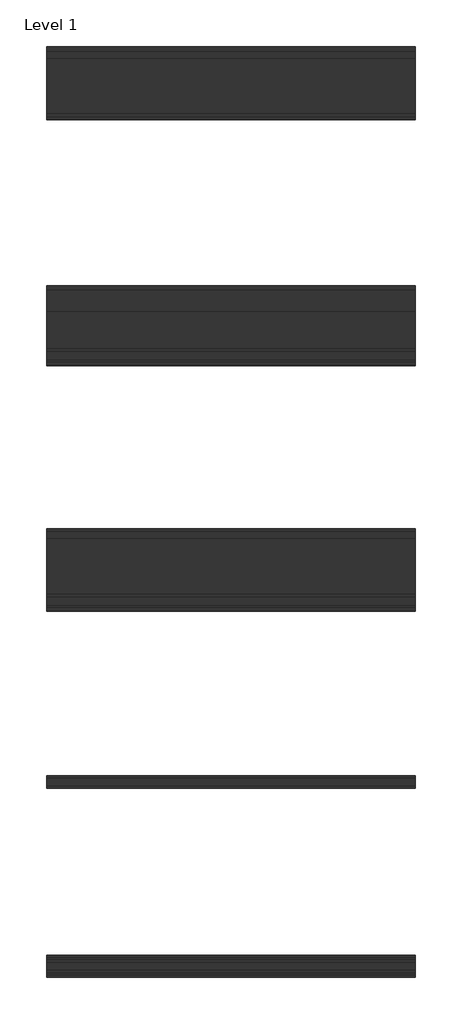
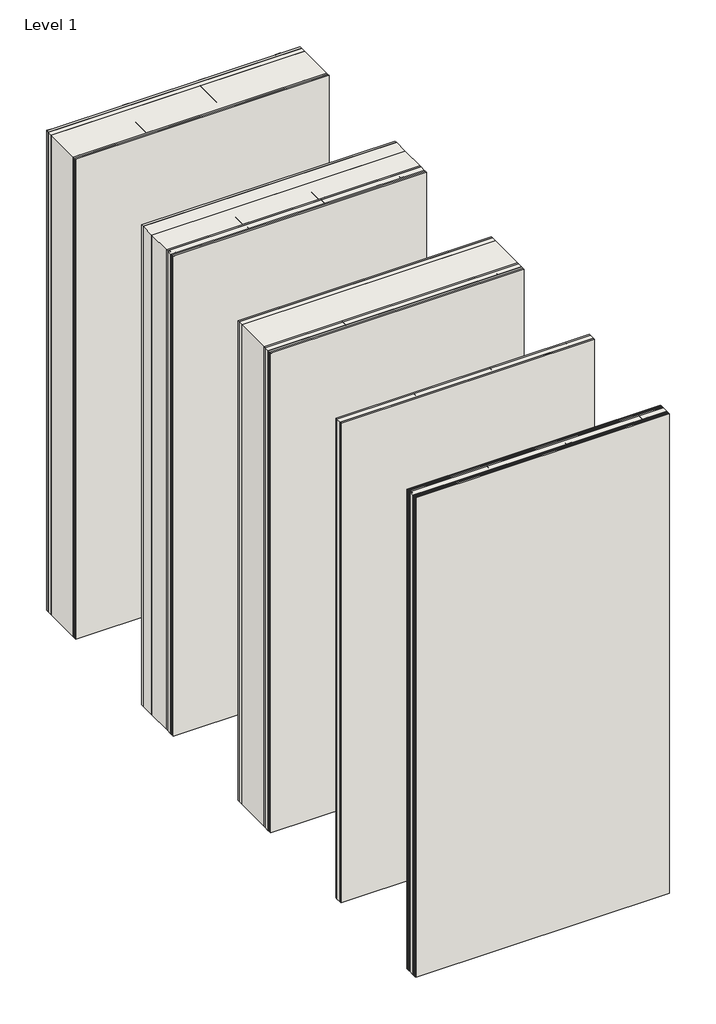
# One storey: 28 columns, 5 walls.
"""IFC4 building model written with IfcOpenShell, lengths in millimetres."""

import ifcopenshell
import ifcopenshell.guid

model = None  # the IFC model being written
_history = None  # IfcOwnerHistory: only IFC2X3 demands one
_inside = {}  # id of a spatial element -> (the spatial element, [elements in it])
_under = {}  # id of a project, library or spatial element -> (it, [spatial elements below it])
_declared = {}  # id of a project -> (the project, [libraries it declares])
_typed = {}  # id of a type object -> (the type object, [elements of that type])
_made_of = {}  # id of a material, layer set ... -> (it, [elements and type objects made of it])


def new_model(schema):
    """Start an empty IFC model of exactly this schema.

    Asked for "IFC4X3", IfcOpenShell would pick the latest addendum, in which some entities
    have other attributes; the version numbers below select the first issue.
    IFC2X3 requires an IfcOwnerHistory on every rooted entity: one is made here for all.
    """
    global model, _history
    if schema == "IFC4X3":
        model = ifcopenshell.file(schema_version=(4, 3, 0, 0))
    else:
        model = ifcopenshell.file(schema=schema)
    _inside.clear()
    _under.clear()
    _declared.clear()
    _typed.clear()
    _made_of.clear()
    _history = None
    if model.schema == "IFC2X3":
        org = make("IfcOrganization", Name="unknown")
        user = make(
            "IfcPersonAndOrganization",
            ThePerson=make("IfcPerson", FamilyName="unknown"),
            TheOrganization=org,
        )
        app = make(
            "IfcApplication",
            ApplicationDeveloper=org,
            Version="unknown",
            ApplicationFullName="unknown",
            ApplicationIdentifier="unknown",
        )
        _history = make(
            "IfcOwnerHistory",
            OwningUser=user,
            OwningApplication=app,
            ChangeAction="ADDED",
            CreationDate=0,
        )
    return model


def make(cls, **values):
    """One entity of the class cls with the attributes given. An attribute that is None is left unset."""
    return model.create_entity(
        cls, **{name: value for name, value in values.items() if value is not None}
    )


def rooted(cls, **values):
    """An entity with a GlobalId (a new one), such as an element, a storey or a relation."""
    return make(cls, GlobalId=ifcopenshell.guid.new(), OwnerHistory=_history, **values)


def si_unit(unit_type, name, prefix=None):
    """IfcSIUnit, for example si_unit("LENGTHUNIT", "METRE", prefix="MILLI")."""
    return make("IfcSIUnit", UnitType=unit_type, Prefix=prefix, Name=name)


def assignment(units):
    """IfcUnitAssignment: the units of a project."""
    return None if units is None else make("IfcUnitAssignment", Units=units)


def point(xyz):
    """IfcCartesianPoint."""
    return None if xyz is None else make("IfcCartesianPoint", Coordinates=xyz)


def direction(xyz):
    """IfcDirection."""
    return None if xyz is None else make("IfcDirection", DirectionRatios=xyz)


def frame(location, z_axis=None, x_axis=None):
    """IfcAxis2Placement3D, a coordinate frame: its origin and axes. An axis left out is left unset."""
    return make(
        "IfcAxis2Placement3D",
        Location=point(location),
        Axis=direction(z_axis),
        RefDirection=direction(x_axis),
    )


def origin():
    """The frame at (0, 0, 0) with its axes left unset."""
    return frame((0.0, 0.0, 0.0))


def origin_with_axes():
    """The frame at (0, 0, 0) with the z axis (0, 0, 1) and the x axis (1, 0, 0) written out."""
    return frame((0.0, 0.0, 0.0), z_axis=(0.0, 0.0, 1.0), x_axis=(1.0, 0.0, 0.0))


def place(relative_to, where):
    """IfcLocalPlacement: puts the frame where relative to a parent placement (None: the world)."""
    return make(
        "IfcLocalPlacement", PlacementRelTo=relative_to, RelativePlacement=where
    )


def context(
    kind, dimensions, precision=None, world=None, true_north=None, identifier=None
):
    """IfcGeometricRepresentationContext, for example the 3D "Model" context."""
    return make(
        "IfcGeometricRepresentationContext",
        ContextIdentifier=identifier,
        ContextType=kind,
        CoordinateSpaceDimension=dimensions,
        Precision=precision,
        WorldCoordinateSystem=world,
        TrueNorth=true_north,
    )


def project(units=None, contexts=None):
    """IfcProject with its units and contexts."""
    return rooted(
        "IfcProject",
        Name="project",
        RepresentationContexts=contexts,
        UnitsInContext=assignment(units),
    )


def spatial(cls, under=None, at=None, **own):
    """A site, building, storey or space (cls), placed at a placement, below another one or the project."""
    s = rooted(cls, ObjectPlacement=at, **own)
    if under is not None:
        _under.setdefault(under.id(), (under, []))[1].append(s)
    return s


def polyline(points):
    """IfcPolyline through the points."""
    return make("IfcPolyline", Points=[point(p) for p in points])


def outline(outer, holes=None, kind="AREA"):
    """IfcArbitraryClosedProfileDef: a profile drawn as a closed curve; with holes, ...WithVoids."""
    if holes is None:
        return make("IfcArbitraryClosedProfileDef", ProfileType=kind, OuterCurve=outer)
    return make(
        "IfcArbitraryProfileDefWithVoids",
        ProfileType=kind,
        OuterCurve=outer,
        InnerCurves=holes,
    )


def extrude(swept, where, along, depth):
    """IfcExtrudedAreaSolid: the profile swept, set in the frame where, extruded along a direction by depth."""
    return make(
        "IfcExtrudedAreaSolid",
        SweptArea=swept,
        Position=where,
        ExtrudedDirection=direction(along),
        Depth=depth,
    )


def shape(context_of_items, identifier, shape_type, items):
    """IfcShapeRepresentation: the items that make up one representation, for example the "Body"."""
    return make(
        "IfcShapeRepresentation",
        ContextOfItems=context_of_items,
        RepresentationIdentifier=identifier,
        RepresentationType=shape_type,
        Items=items,
    )


def source(mapping_origin, context_of_items, identifier, shape_type, items):
    """IfcRepresentationMap: a shape defined once, which mapped items show again and again."""
    return make(
        "IfcRepresentationMap",
        MappingOrigin=mapping_origin,
        MappedRepresentation=shape(context_of_items, identifier, shape_type, items),
    )


def transform(
    local_origin,
    x_axis=None,
    y_axis=None,
    z_axis=None,
    scale=None,
    scale2=None,
    scale3=None,
    uniform=True,
):
    """IfcCartesianTransformationOperator3D, or its non-uniform kind. x_axis, y_axis, z_axis: its Axis1, 2, 3."""
    if uniform:
        return make(
            "IfcCartesianTransformationOperator3D",
            Axis1=direction(x_axis),
            Axis2=direction(y_axis),
            LocalOrigin=point(local_origin),
            Scale=scale,
            Axis3=direction(z_axis),
        )
    return make(
        "IfcCartesianTransformationOperator3DnonUniform",
        Axis1=direction(x_axis),
        Axis2=direction(y_axis),
        LocalOrigin=point(local_origin),
        Scale=scale,
        Axis3=direction(z_axis),
        Scale2=scale2,
        Scale3=scale3,
    )


def mapped(mapping_source, mapping_target):
    """IfcMappedItem: shows the shape of a source again, moved by a transform."""
    return make(
        "IfcMappedItem", MappingSource=mapping_source, MappingTarget=mapping_target
    )


def made_of(thing, what):
    """Note that an element or type object is made of a material, layer set ...; save() writes the relation."""
    if what is not None:
        _made_of.setdefault(what.id(), (what, []))[1].append(thing)
    return thing


def element(
    cls,
    number,
    at=None,
    inside=None,
    cuts=None,
    type_object=None,
    material=None,
    context=None,
    identifier="Body",
    shape_type=None,
    held_by="IfcProductDefinitionShape",
    body=None,
    shapes=None,
    **own,
):
    """One element of the class cls, such as IfcWall. Its Tag is "e" and its number.

    at: its placement. inside: the storey or other place that contains it. cuts: it is an
    opening in that element (IfcRelVoidsElement). A single representation is given by context,
    identifier, shape_type and body (its items); several are given by shapes. held_by: the class
    of the entity that holds the representations. save() writes the other relations.
    """
    e = rooted(cls, Tag="e%d" % number, ObjectPlacement=at, **own)
    if body is not None:
        shapes = [shape(context, identifier, shape_type, body)]
    if shapes is not None:
        e.Representation = make(held_by, Representations=shapes)
    if inside is not None:
        _inside.setdefault(inside.id(), (inside, []))[1].append(e)
    if cuts is not None:
        rooted(
            "IfcRelVoidsElement", RelatingBuildingElement=cuts, RelatedOpeningElement=e
        )
    if type_object is not None:
        _typed.setdefault(type_object.id(), (type_object, []))[1].append(e)
    return made_of(e, material)


def aggregate(whole, parts):
    """IfcRelAggregates: a whole, such as a stair, and the parts it consists of."""
    return rooted("IfcRelAggregates", RelatingObject=whole, RelatedObjects=parts)


def save(model, path):
    """Write the relations noted so far, then the file.

    IfcRelAggregates (storeys below a building ...), IfcRelContainedInSpatialStructure (elements
    in a storey), IfcRelDefinesByType, IfcRelAssociatesMaterial and IfcRelDeclares: one each for
    every whole, place, type object, material and project.
    """
    for whole, parts in _under.values():
        aggregate(whole, parts)
    for where, things in _inside.values():
        rooted(
            "IfcRelContainedInSpatialStructure",
            RelatedElements=things,
            RelatingStructure=where,
        )
    for kind, things in _typed.values():
        rooted("IfcRelDefinesByType", RelatedObjects=things, RelatingType=kind)
    for what, things in _made_of.values():
        rooted("IfcRelAssociatesMaterial", RelatedObjects=things, RelatingMaterial=what)
    for by, libraries in _declared.values():
        rooted("IfcRelDeclares", RelatingContext=by, RelatedDefinitions=libraries)
    model.write(path)


def m_dimension_lumber_column_200x50_4716c044(model_context):
    return source(origin(), model_context, "Body", "SweptSolid", [
        extrude(outline(polyline([(100.0, 25.0), (100.0, -25.0), (-100.0, -25.0), (-100.0, 25.0), (100.0, 25.0)])), origin_with_axes(), (0.0, 0.0, 1.0), 4000.0),
    ])


def m_dimension_lumber_column_300x50_87d6186f(model_context):
    return source(origin(), model_context, "Body", "SweptSolid", [
        extrude(outline(polyline([(150.0, 25.0), (150.0, -25.0), (-150.0, -25.0), (-150.0, 25.0), (150.0, 25.0)])), origin_with_axes(), (0.0, 0.0, 1.0), 4000.0),
    ])


def m_dimension_lumber_column_45x45_ff5031a0(model_context):
    return source(origin(), model_context, "Body", "SweptSolid", [
        extrude(outline(polyline([(22.5, 22.5), (22.5, -22.5), (-22.5, -22.5), (-22.5, 22.5), (22.5, 22.5)])), origin_with_axes(), (0.0, 0.0, 1.0), 4000.0),
    ])


def m_dimension_lumber_column_m_dimension_lumber_column_45x25_86c470bb(model_context):
    return source(origin(), model_context, "Body", "SweptSolid", [
        extrude(outline(polyline([(12.5, 22.5), (12.5, -22.5), (-12.5, -22.5), (-12.5, 22.5), (12.5, 22.5)])), origin_with_axes(), (0.0, 0.0, 1.0), 4000.0),
    ])


model = new_model("IFC4")

# Units and contexts
model_context = context("Model", 3, world=origin())
ifc_project = project(units=[si_unit("LENGTHUNIT", "METRE", prefix="MILLI")], contexts=[model_context])

# Site, building, storey
site = spatial("IfcSite", under=ifc_project)
building = spatial("IfcBuilding", under=site)
storey = spatial("IfcBuildingStorey", under=building, Name="Level 1", Elevation=0.0)

# Columns
placement = place(None, origin())
m_dimension_lumber_column_200x50_shape = m_dimension_lumber_column_200x50_4716c044(model_context)
element("IfcColumn", 1, ObjectType="M_Dimension Lumber-Column : 200x50", at=placement, inside=storey, context=model_context, shape_type="MappedRepresentation", body=[
    mapped(m_dimension_lumber_column_200x50_shape, transform((-2659.4914527, 4091.0245926, 0.0), x_axis=(0.0, -1.0, 0.0), y_axis=(1.0, 0.0, 0.0), z_axis=(0.0, 0.0, 1.0))),
])
element("IfcColumn", 2, ObjectType="M_Dimension Lumber-Column : 200x50", at=placement, inside=storey, context=model_context, shape_type="MappedRepresentation", body=[
    mapped(m_dimension_lumber_column_200x50_shape, transform((-2059.4914527, 4091.0245926, 0.0), x_axis=(0.0, -1.0, 0.0), y_axis=(1.0, 0.0, 0.0), z_axis=(0.0, 0.0, 1.0))),
])
element("IfcColumn", 3, ObjectType="M_Dimension Lumber-Column : 200x50", at=placement, inside=storey, context=model_context, shape_type="MappedRepresentation", body=[
    mapped(m_dimension_lumber_column_200x50_shape, transform((-1459.4914527, 4091.0245926, 0.0), x_axis=(0.0, -1.0, 0.0), y_axis=(1.0, 0.0, 0.0), z_axis=(0.0, 0.0, 1.0))),
])
element("IfcColumn", 4, ObjectType="M_Dimension Lumber-Column : 200x50", at=placement, inside=storey, context=model_context, shape_type="MappedRepresentation", body=[
    mapped(m_dimension_lumber_column_200x50_shape, transform((-859.4914527, 4091.0245926, 0.0), x_axis=(0.0, -1.0, 0.0), y_axis=(1.0, 0.0, 0.0), z_axis=(0.0, 0.0, 1.0))),
])
m_dimension_lumber_column_300x50_shape = m_dimension_lumber_column_300x50_87d6186f(model_context)
element("IfcColumn", 5, ObjectType="M_Dimension Lumber-Column : 300x50", at=placement, inside=storey, context=model_context, shape_type="MappedRepresentation", body=[
    mapped(m_dimension_lumber_column_300x50_shape, transform((-2659.4914527, 5415.0245926, 0.0), x_axis=(0.0, 1.0, 0.0), y_axis=(-1.0, 0.0, 0.0), z_axis=(0.0, 0.0, 1.0))),
])
element("IfcColumn", 6, ObjectType="M_Dimension Lumber-Column : 300x50", at=placement, inside=storey, context=model_context, shape_type="MappedRepresentation", body=[
    mapped(m_dimension_lumber_column_300x50_shape, transform((-884.4914527, 5415.0245926, 0.0), x_axis=(0.0, 1.0, 0.0), y_axis=(-1.0, 0.0, 0.0), z_axis=(0.0, 0.0, 1.0))),
])
element("IfcColumn", 7, ObjectType="M_Dimension Lumber-Column : 300x50", at=placement, inside=storey, context=model_context, shape_type="MappedRepresentation", body=[
    mapped(m_dimension_lumber_column_300x50_shape, transform((-2084.4914527, 5415.0245926, 0.0), x_axis=(0.0, 1.0, 0.0), y_axis=(-1.0, 0.0, 0.0), z_axis=(0.0, 0.0, 1.0))),
])
element("IfcColumn", 8, ObjectType="M_Dimension Lumber-Column : 300x50", at=placement, inside=storey, context=model_context, shape_type="MappedRepresentation", body=[
    mapped(m_dimension_lumber_column_300x50_shape, transform((-1484.4914527, 5415.0245926, 0.0), x_axis=(0.0, 1.0, 0.0), y_axis=(-1.0, 0.0, 0.0), z_axis=(0.0, 0.0, 1.0))),
])
m_dimension_lumber_column_45x45_shape = m_dimension_lumber_column_45x45_ff5031a0(model_context)
element("IfcColumn", 9, ObjectType="M_Dimension Lumber-Column : 45x45", at=placement, inside=storey, context=model_context, shape_type="MappedRepresentation", body=[
    mapped(m_dimension_lumber_column_45x45_shape, transform((-2654.4914527, 639.2802925, 0.0), x_axis=(1.0, 0.0, 0.0), y_axis=(0.0, 1.0, 0.0), z_axis=(0.0, 0.0, 1.0))),
])
element("IfcColumn", 10, ObjectType="M_Dimension Lumber-Column : 45x45", at=placement, inside=storey, context=model_context, shape_type="MappedRepresentation", body=[
    mapped(m_dimension_lumber_column_45x45_shape, transform((-2054.4914527, 639.2802925, 0.0), x_axis=(1.0, 0.0, 0.0), y_axis=(0.0, 1.0, 0.0), z_axis=(0.0, 0.0, 1.0))),
])
element("IfcColumn", 11, ObjectType="M_Dimension Lumber-Column : 45x45", at=placement, inside=storey, context=model_context, shape_type="MappedRepresentation", body=[
    mapped(m_dimension_lumber_column_45x45_shape, transform((-1454.4914527, 639.2802925, 0.0), x_axis=(1.0, 0.0, 0.0), y_axis=(0.0, 1.0, 0.0), z_axis=(0.0, 0.0, 1.0))),
])
element("IfcColumn", 12, ObjectType="M_Dimension Lumber-Column : 45x45", at=placement, inside=storey, context=model_context, shape_type="MappedRepresentation", body=[
    mapped(m_dimension_lumber_column_45x45_shape, transform((-854.4914527, 639.2802925, 0.0), x_axis=(1.0, 0.0, 0.0), y_axis=(0.0, 1.0, 0.0), z_axis=(0.0, 0.0, 1.0))),
])
element("IfcColumn", 13, ObjectType="M_Dimension Lumber-Column : 45x45", at=placement, inside=storey, context=model_context, shape_type="MappedRepresentation", body=[
    mapped(m_dimension_lumber_column_45x45_shape, transform((-2654.4914527, 1639.2802925, 0.0), x_axis=(1.0, 0.0, 0.0), y_axis=(0.0, 1.0, 0.0), z_axis=(0.0, 0.0, 1.0))),
])
element("IfcColumn", 14, ObjectType="M_Dimension Lumber-Column : 45x45", at=placement, inside=storey, context=model_context, shape_type="MappedRepresentation", body=[
    mapped(m_dimension_lumber_column_45x45_shape, transform((-2054.4914527, 1639.2802925, 0.0), x_axis=(1.0, 0.0, 0.0), y_axis=(0.0, 1.0, 0.0), z_axis=(0.0, 0.0, 1.0))),
])
element("IfcColumn", 15, ObjectType="M_Dimension Lumber-Column : 45x45", at=placement, inside=storey, context=model_context, shape_type="MappedRepresentation", body=[
    mapped(m_dimension_lumber_column_45x45_shape, transform((-1454.4914527, 1639.2802925, 0.0), x_axis=(1.0, 0.0, 0.0), y_axis=(0.0, 1.0, 0.0), z_axis=(0.0, 0.0, 1.0))),
])
element("IfcColumn", 16, ObjectType="M_Dimension Lumber-Column : 45x45", at=placement, inside=storey, context=model_context, shape_type="MappedRepresentation", body=[
    mapped(m_dimension_lumber_column_45x45_shape, transform((-854.4914527, 1639.2802925, 0.0), x_axis=(1.0, 0.0, 0.0), y_axis=(0.0, 1.0, 0.0), z_axis=(0.0, 0.0, 1.0))),
])
m_dimension_lumber_column_m_dimension_lumber_column_45x25_shape = m_dimension_lumber_column_m_dimension_lumber_column_45x25_86c470bb(model_context)
element("IfcColumn", 17, ObjectType="M_Dimension Lumber-Column : M_Dimension Lumber-Column 45x25", at=placement, inside=storey, context=model_context, shape_type="MappedRepresentation", body=[
    mapped(m_dimension_lumber_column_m_dimension_lumber_column_45x25_shape, transform((-2059.4914527, 2621.2802925, 0.0), x_axis=(1.0, 0.0, 0.0), y_axis=(0.0, 1.0, 0.0), z_axis=(0.0, 0.0, 1.0))),
])
element("IfcColumn", 18, ObjectType="M_Dimension Lumber-Column : M_Dimension Lumber-Column 45x25", at=placement, inside=storey, context=model_context, shape_type="MappedRepresentation", body=[
    mapped(m_dimension_lumber_column_m_dimension_lumber_column_45x25_shape, transform((-2659.4914527, 2621.2802925, 0.0), x_axis=(1.0, 0.0, 0.0), y_axis=(0.0, 1.0, 0.0), z_axis=(0.0, 0.0, 1.0))),
])
element("IfcColumn", 19, ObjectType="M_Dimension Lumber-Column : M_Dimension Lumber-Column 45x25", at=placement, inside=storey, context=model_context, shape_type="MappedRepresentation", body=[
    mapped(m_dimension_lumber_column_m_dimension_lumber_column_45x25_shape, transform((-1459.4914527, 2621.2802925, 0.0), x_axis=(1.0, 0.0, 0.0), y_axis=(0.0, 1.0, 0.0), z_axis=(0.0, 0.0, 1.0))),
])
element("IfcColumn", 20, ObjectType="M_Dimension Lumber-Column : M_Dimension Lumber-Column 45x25", at=placement, inside=storey, context=model_context, shape_type="MappedRepresentation", body=[
    mapped(m_dimension_lumber_column_m_dimension_lumber_column_45x25_shape, transform((-859.4914527, 2621.2802925, 0.0), x_axis=(1.0, 0.0, 0.0), y_axis=(0.0, 1.0, 0.0), z_axis=(0.0, 0.0, 1.0))),
])
element("IfcColumn", 21, ObjectType="M_Dimension Lumber-Column : M_Dimension Lumber-Column 45x25", at=placement, inside=storey, context=model_context, shape_type="MappedRepresentation", body=[
    mapped(m_dimension_lumber_column_m_dimension_lumber_column_45x25_shape, transform((-2059.4914527, 3953.5245926, 0.0), x_axis=(1.0, 0.0, 0.0), y_axis=(0.0, 1.0, 0.0), z_axis=(0.0, 0.0, 1.0))),
])
element("IfcColumn", 22, ObjectType="M_Dimension Lumber-Column : M_Dimension Lumber-Column 45x25", at=placement, inside=storey, context=model_context, shape_type="MappedRepresentation", body=[
    mapped(m_dimension_lumber_column_m_dimension_lumber_column_45x25_shape, transform((-2659.4914527, 3953.5245926, 0.0), x_axis=(1.0, 0.0, 0.0), y_axis=(0.0, 1.0, 0.0), z_axis=(0.0, 0.0, 1.0))),
])
element("IfcColumn", 23, ObjectType="M_Dimension Lumber-Column : M_Dimension Lumber-Column 45x25", at=placement, inside=storey, context=model_context, shape_type="MappedRepresentation", body=[
    mapped(m_dimension_lumber_column_m_dimension_lumber_column_45x25_shape, transform((-1459.4914527, 3953.5245926, 0.0), x_axis=(1.0, 0.0, 0.0), y_axis=(0.0, 1.0, 0.0), z_axis=(0.0, 0.0, 1.0))),
])
element("IfcColumn", 24, ObjectType="M_Dimension Lumber-Column : M_Dimension Lumber-Column 45x25", at=placement, inside=storey, context=model_context, shape_type="MappedRepresentation", body=[
    mapped(m_dimension_lumber_column_m_dimension_lumber_column_45x25_shape, transform((-859.4914527, 3953.5245926, 0.0), x_axis=(1.0, 0.0, 0.0), y_axis=(0.0, 1.0, 0.0), z_axis=(0.0, 0.0, 1.0))),
])
element("IfcColumn", 25, ObjectType="M_Dimension Lumber-Column : M_Dimension Lumber-Column 45x25", at=placement, inside=storey, context=model_context, shape_type="MappedRepresentation", body=[
    mapped(m_dimension_lumber_column_m_dimension_lumber_column_45x25_shape, transform((-1459.4914527, 5617.5245926, 0.0), x_axis=(0.0, -1.0, 0.0), y_axis=(1.0, 0.0, 0.0), z_axis=(0.0, 0.0, 1.0))),
])
element("IfcColumn", 26, ObjectType="M_Dimension Lumber-Column : M_Dimension Lumber-Column 45x25", at=placement, inside=storey, context=model_context, shape_type="MappedRepresentation", body=[
    mapped(m_dimension_lumber_column_m_dimension_lumber_column_45x25_shape, transform((-2059.4914527, 5617.5245926, 0.0), x_axis=(0.0, -1.0, 0.0), y_axis=(1.0, 0.0, 0.0), z_axis=(0.0, 0.0, 1.0))),
])
element("IfcColumn", 27, ObjectType="M_Dimension Lumber-Column : M_Dimension Lumber-Column 45x25", at=placement, inside=storey, context=model_context, shape_type="MappedRepresentation", body=[
    mapped(m_dimension_lumber_column_m_dimension_lumber_column_45x25_shape, transform((-2659.4914527, 5617.5245926, 0.0), x_axis=(0.0, -1.0, 0.0), y_axis=(1.0, 0.0, 0.0), z_axis=(0.0, 0.0, 1.0))),
])
element("IfcColumn", 28, ObjectType="M_Dimension Lumber-Column : M_Dimension Lumber-Column 45x25", at=placement, inside=storey, context=model_context, shape_type="MappedRepresentation", body=[
    mapped(m_dimension_lumber_column_m_dimension_lumber_column_45x25_shape, transform((-859.4914527, 5617.5245926, 0.0), x_axis=(0.0, -1.0, 0.0), y_axis=(1.0, 0.0, 0.0), z_axis=(0.0, 0.0, 1.0))),
])

# Walls
element("IfcWall", 29, at=placement, inside=storey, context=model_context, shape_type="SweptSolid", body=[
    extrude(outline(polyline([(-2684.4914527, 699.7802925), (-684.4914527, 699.7802925), (-684.4914527, 687.7802925), (-2684.4914527, 687.7802925), (-2684.4914527, 699.7802925)])), origin_with_axes(), (0.0, 0.0, 1.0), 4000.0),
    extrude(outline(polyline([(-684.4914527, 578.7802925), (-2684.4914527, 578.7802925), (-2684.4914527, 590.7802925), (-684.4914527, 590.7802925), (-684.4914527, 578.7802925)])), origin_with_axes(), (0.0, 0.0, 1.0), 4000.0),
    extrude(outline(polyline([(-2684.4914527, 661.7802925), (-2684.4914527, 673.7802925), (-684.4914527, 673.7802925), (-684.4914527, 661.7802925), (-2684.4914527, 661.7802925)])), origin_with_axes(), (0.0, 0.0, 1.0), 4000.0),
    extrude(outline(polyline([(-2684.4914527, 604.7802925), (-2684.4914527, 616.7802925), (-684.4914527, 616.7802925), (-684.4914527, 604.7802925), (-2684.4914527, 604.7802925)])), origin_with_axes(), (0.0, 0.0, 1.0), 4000.0),
    extrude(outline(polyline([(-2684.4914527, 673.7802925), (-2684.4914527, 687.7802925), (-684.4914527, 687.7802925), (-684.4914527, 673.7802925), (-2684.4914527, 673.7802925)])), origin_with_axes(), (0.0, 0.0, 1.0), 4000.0),
    extrude(outline(polyline([(-2684.4914527, 590.7802925), (-2684.4914527, 604.7802925), (-684.4914527, 604.7802925), (-684.4914527, 590.7802925), (-2684.4914527, 590.7802925)])), origin_with_axes(), (0.0, 0.0, 1.0), 4000.0),
    extrude(outline(polyline([(-2684.4914527, 616.7802925), (-2684.4914527, 661.7802925), (-684.4914527, 661.7802925), (-684.4914527, 616.7802925), (-2684.4914527, 616.7802925)])), origin_with_axes(), (0.0, 0.0, 1.0), 4000.0),
])
element("IfcWall", 30, at=placement, inside=storey, context=model_context, shape_type="SweptSolid", body=[
    extrude(outline(polyline([(-2684.4914527, 1673.7802925), (-684.4914527, 1673.7802925), (-684.4914527, 1661.7802925), (-2684.4914527, 1661.7802925), (-2684.4914527, 1673.7802925)])), origin_with_axes(), (0.0, 0.0, 1.0), 4000.0),
    extrude(outline(polyline([(-684.4914527, 1604.7802925), (-2684.4914527, 1604.7802925), (-2684.4914527, 1616.7802925), (-684.4914527, 1616.7802925), (-684.4914527, 1604.7802925)])), origin_with_axes(), (0.0, 0.0, 1.0), 4000.0),
    extrude(outline(polyline([(-2684.4914527, 1616.7802925), (-2684.4914527, 1661.7802925), (-684.4914527, 1661.7802925), (-684.4914527, 1616.7802925), (-2684.4914527, 1616.7802925)])), origin_with_axes(), (0.0, 0.0, 1.0), 4000.0),
])
element("IfcWall", 31, at=placement, inside=storey, context=model_context, shape_type="SweptSolid", body=[
    extrude(outline(polyline([(-2684.4914527, 3013.7802925), (-684.4914527, 3013.7802925), (-684.4914527, 2998.7802925), (-2684.4914527, 2998.7802925), (-2684.4914527, 3013.7802925)])), origin_with_axes(), (0.0, 0.0, 1.0), 4000.0),
    extrude(outline(polyline([(-2684.4914527, 2643.7802925), (-2684.4914527, 2658.7802925), (-684.4914527, 2658.7802925), (-684.4914527, 2643.7802925), (-2684.4914527, 2643.7802925)])), origin_with_axes(), (0.0, 0.0, 1.0), 4000.0),
    extrude(outline(polyline([(-2684.4914527, 2569.7802925), (-2684.4914527, 2583.7802925), (-684.4914527, 2583.7802925), (-684.4914527, 2569.7802925), (-2684.4914527, 2569.7802925)])), origin_with_axes(), (0.0, 0.0, 1.0), 4000.0),
    extrude(outline(polyline([(-684.4914527, 2565.7802925), (-2684.4914527, 2565.7802925), (-2684.4914527, 2569.7802925), (-684.4914527, 2569.7802925), (-684.4914527, 2565.7802925)])), origin_with_axes(), (0.0, 0.0, 1.0), 4000.0),
    extrude(outline(polyline([(-2684.4914527, 2658.7802925), (-2684.4914527, 2958.7802925), (-684.4914527, 2958.7802925), (-684.4914527, 2658.7802925), (-2684.4914527, 2658.7802925)])), origin_with_axes(), (0.0, 0.0, 1.0), 4000.0),
    extrude(outline(polyline([(-2684.4914527, 2958.7802925), (-2684.4914527, 2998.7802925), (-684.4914527, 2998.7802925), (-684.4914527, 2958.7802925), (-2684.4914527, 2958.7802925)])), origin_with_axes(), (0.0, 0.0, 1.0), 4000.0),
    extrude(outline(polyline([(-2684.4914527, 2598.7802925), (-2684.4914527, 2643.7802925), (-684.4914527, 2643.7802925), (-684.4914527, 2598.7802925), (-2684.4914527, 2598.7802925)])), origin_with_axes(), (0.0, 0.0, 1.0), 4000.0),
    extrude(outline(polyline([(-2684.4914527, 2583.7802925), (-2684.4914527, 2598.7802925), (-684.4914527, 2598.7802925), (-684.4914527, 2583.7802925), (-2684.4914527, 2583.7802925)])), origin_with_axes(), (0.0, 0.0, 1.0), 4000.0),
])
element("IfcWall", 32, at=placement, inside=storey, context=model_context, shape_type="SweptSolid", body=[
    extrude(outline(polyline([(-2684.4914527, 4331.0245926), (-684.4914527, 4331.0245926), (-684.4914527, 4311.0245926), (-2684.4914527, 4311.0245926), (-2684.4914527, 4331.0245926)])), origin_with_axes(), (0.0, 0.0, 1.0), 4000.0),
    extrude(outline(polyline([(-2684.4914527, 3976.0245926), (-2684.4914527, 3991.0245926), (-684.4914527, 3991.0245926), (-684.4914527, 3976.0245926), (-2684.4914527, 3976.0245926)])), origin_with_axes(), (0.0, 0.0, 1.0), 4000.0),
    extrude(outline(polyline([(-2684.4914527, 3902.0245926), (-2684.4914527, 3916.0245926), (-684.4914527, 3916.0245926), (-684.4914527, 3902.0245926), (-2684.4914527, 3902.0245926)])), origin_with_axes(), (0.0, 0.0, 1.0), 4000.0),
    extrude(outline(polyline([(-684.4914527, 3898.0245926), (-2684.4914527, 3898.0245926), (-2684.4914527, 3902.0245926), (-684.4914527, 3902.0245926), (-684.4914527, 3898.0245926)])), origin_with_axes(), (0.0, 0.0, 1.0), 4000.0),
    extrude(outline(polyline([(-2684.4914527, 3991.0245926), (-2684.4914527, 4191.0245926), (-684.4914527, 4191.0245926), (-684.4914527, 3991.0245926), (-2684.4914527, 3991.0245926)])), origin_with_axes(), (0.0, 0.0, 1.0), 4000.0),
    extrude(outline(polyline([(-2684.4914527, 4191.0245926), (-2684.4914527, 4311.0245926), (-684.4914527, 4311.0245926), (-684.4914527, 4191.0245926), (-2684.4914527, 4191.0245926)])), origin_with_axes(), (0.0, 0.0, 1.0), 4000.0),
    extrude(outline(polyline([(-2684.4914527, 3931.0245926), (-2684.4914527, 3976.0245926), (-684.4914527, 3976.0245926), (-684.4914527, 3931.0245926), (-2684.4914527, 3931.0245926)])), origin_with_axes(), (0.0, 0.0, 1.0), 4000.0),
    extrude(outline(polyline([(-2684.4914527, 3916.0245926), (-2684.4914527, 3931.0245926), (-684.4914527, 3931.0245926), (-684.4914527, 3916.0245926), (-2684.4914527, 3916.0245926)])), origin_with_axes(), (0.0, 0.0, 1.0), 4000.0),
])
element("IfcWall", 33, at=placement, inside=storey, context=model_context, shape_type="SweptSolid", body=[
    extrude(outline(polyline([(-2684.4914527, 5630.0245926), (-684.4914527, 5630.0245926), (-684.4914527, 5605.0245926), (-2684.4914527, 5605.0245926), (-2684.4914527, 5630.0245926)])), origin_with_axes(), (0.0, 0.0, 1.0), 4000.0),
    extrude(outline(polyline([(-2684.4914527, 5250.0245926), (-2684.4914527, 5265.0245926), (-684.4914527, 5265.0245926), (-684.4914527, 5250.0245926), (-2684.4914527, 5250.0245926)])), origin_with_axes(), (0.0, 0.0, 1.0), 4000.0),
    extrude(outline(polyline([(-2684.4914527, 5236.0245926), (-2684.4914527, 5250.0245926), (-684.4914527, 5250.0245926), (-684.4914527, 5236.0245926), (-2684.4914527, 5236.0245926)])), origin_with_axes(), (0.0, 0.0, 1.0), 4000.0),
    extrude(outline(polyline([(-684.4914527, 5232.0245926), (-2684.4914527, 5232.0245926), (-2684.4914527, 5236.0245926), (-684.4914527, 5236.0245926), (-684.4914527, 5232.0245926)])), origin_with_axes(), (0.0, 0.0, 1.0), 4000.0),
    extrude(outline(polyline([(-2684.4914527, 5265.0245926), (-2684.4914527, 5565.0245926), (-684.4914527, 5565.0245926), (-684.4914527, 5265.0245926), (-2684.4914527, 5265.0245926)])), origin_with_axes(), (0.0, 0.0, 1.0), 4000.0),
    extrude(outline(polyline([(-2684.4914527, 5565.0245926), (-2684.4914527, 5605.0245926), (-684.4914527, 5605.0245926), (-684.4914527, 5565.0245926), (-2684.4914527, 5565.0245926)])), origin_with_axes(), (0.0, 0.0, 1.0), 4000.0),
])

save(model, "model.ifc")
